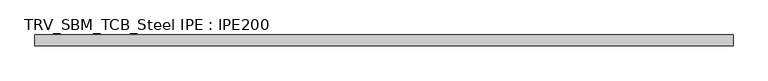
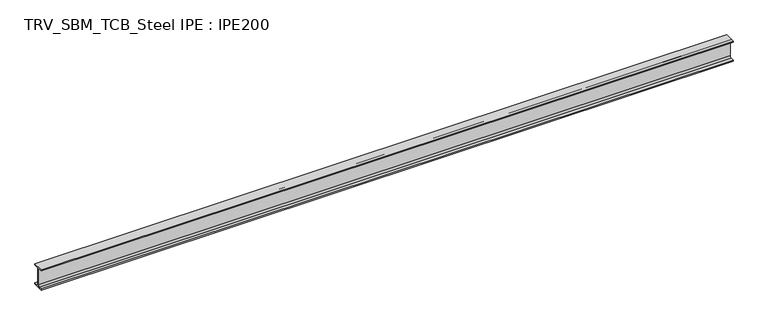
"""IFC4 building model written with IfcOpenShell, lengths in millimetres: beam geometry, TRV_SBM_TCB_Steel IPE : IPE200."""

from ifc_helpers import new_model, si_unit, point, frame, frame_2d, origin, place, context, project, spatial, polyline, circle_curve, trimmed, segment, composite_curve, outline, extrude, source, transform, mapped, element, save


def trv_sbm_tcb_steel_ipe_ipe200_a9956690(model_context):
    return source(origin(), model_context, "Body", "SweptSolid", [
        extrude(outline(composite_curve([segment(polyline([(-50.0, -89.3), (-18.55, -89.3)]), True, "CONTINUOUS"), segment(trimmed(circle_curve(frame_2d((-18.55, -74.3)), 15.0), [point((-18.55, -89.3))], [point((-3.55, -74.3))], True, "CARTESIAN"), True, "CONTINUOUS"), segment(polyline([(-3.55, -74.3), (-3.55, 74.3)]), True, "CONTINUOUS"), segment(trimmed(circle_curve(frame_2d((-18.55, 74.3)), 15.0), [point((-3.55, 74.3))], [point((-18.55, 89.3))], True, "CARTESIAN"), True, "CONTINUOUS"), segment(polyline([(-18.55, 89.3), (-50.0, 89.3), (-50.0, 100.0), (50.0, 100.0), (50.0, 89.3), (18.55, 89.3)]), True, "CONTINUOUS"), segment(trimmed(circle_curve(frame_2d((18.55, 74.3)), 15.0), [point((18.55, 89.3))], [point((3.55, 74.3))], True, "CARTESIAN"), True, "CONTINUOUS"), segment(polyline([(3.55, 74.3), (3.55, -74.3)]), True, "CONTINUOUS"), segment(trimmed(circle_curve(frame_2d((18.55, -74.3)), 15.0), [point((3.55, -74.3))], [point((18.55, -89.3))], True, "CARTESIAN"), True, "CONTINUOUS"), segment(polyline([(18.55, -89.3), (50.0, -89.3), (50.0, -100.0), (-50.0, -100.0), (-50.0, -89.3)]), True, "CONTINUOUS")], self_intersect=False)), frame((-3192.5, 0.0, 0.0), z_axis=(1.0, 0.0, 0.0), x_axis=(0.0, 1.0, 0.0)), (0.0, 0.0, 1.0), 6445.0),
    ])


if __name__ == "__main__":
    model = new_model("IFC4")
    model_context = context("Model", 3, world=origin())
    ifc_project = project(units=[si_unit("LENGTHUNIT", "METRE", prefix="MILLI")], contexts=[model_context])
    site = spatial("IfcSite", under=ifc_project)
    building = spatial("IfcBuilding", under=site)
    placement = place(None, origin())
    trv_sbm_tcb_steel_ipe_ipe200_shape = trv_sbm_tcb_steel_ipe_ipe200_a9956690(model_context)
    element("IfcBeam", 1, ObjectType="TRV_SBM_TCB_Steel IPE : IPE200", at=placement, inside=building, context=model_context, shape_type="MappedRepresentation", body=[
        mapped(trv_sbm_tcb_steel_ipe_ipe200_shape, transform((0.0, 0.0, 0.0), x_axis=(1.0, 0.0, 0.0), y_axis=(0.0, 1.0, 0.0), z_axis=(0.0, 0.0, 1.0))),
    ])
    save(model, "model.ifc")
